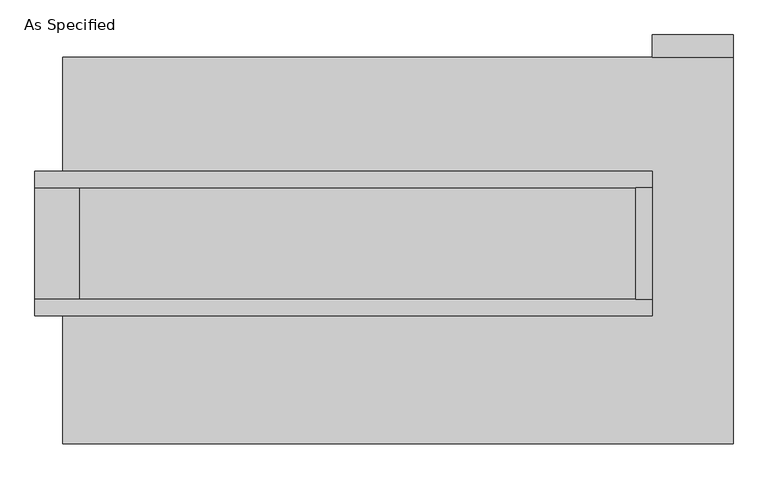
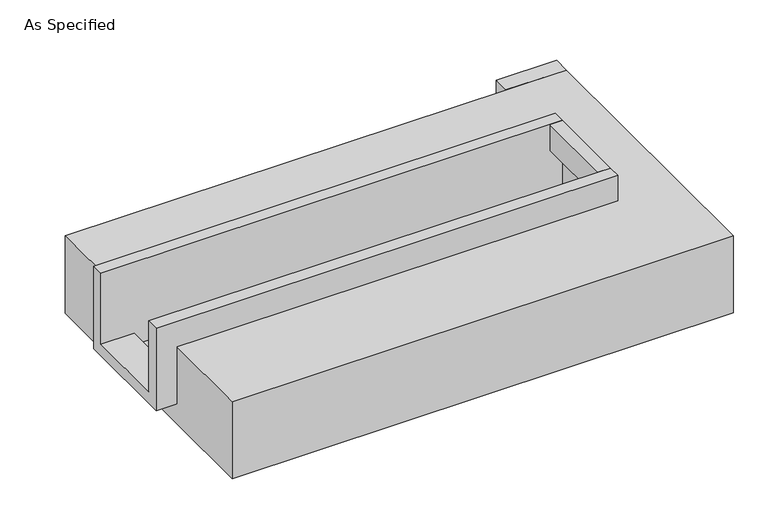
"""IFC4 building model written with IfcOpenShell, lengths in millimetres: proxy geometry, As Specified."""

from ifc_helpers import new_model, si_unit, frame, origin, place, context, project, spatial, polyline, outline, extrude, faceted_brep, source, transform, mapped, element, save


def as_specified_b3f58795(model_context):
    return source(origin(), model_context, "Body", "SolidModel", [
        extrude(outline(polyline([(1631.95, 882.65), (1263.65, 882.65), (1263.65, 984.25), (1631.95, 984.25), (1631.95, 882.65)])), frame((0.0, 0.0, -523.9742188), z_axis=(0.0, 0.0, 1.0), x_axis=(1.0, 0.0, 0.0)), (0.0, 0.0, 1.0), 498.5742187),
        extrude(outline(polyline([(1187.45, 285.75), (1263.65, 285.75), (1263.65, -222.25), (1187.45, -222.25), (1187.45, 285.75)])), frame((0.0, 0.0, -25.4), z_axis=(0.0, 0.0, 1.0), x_axis=(1.0, 0.0, 0.0)), (0.0, 0.0, 1.0), 165.1),
        faceted_brep([(1263.65, 285.75, 139.7), (1263.65, 285.75, -317.5), (1263.65, -222.25, -317.5), (1263.65, -222.25, 139.7), (1263.65, -298.45, 139.7), (1263.65, -298.45, -393.7), (1263.65, 361.95, -393.7), (1263.65, 361.95, 139.7), (-1555.75, 285.75, 139.7), (-1555.75, 361.95, 139.7), (-1555.75, 361.95, -393.7), (-1555.75, -298.45, -393.7), (-1555.75, -298.45, 139.7), (-1555.75, -222.25, 139.7), (-1555.75, -222.25, -317.5), (-1555.75, 285.75, -317.5), (-1352.55, 285.75, -393.7), (-1352.55, -222.25, -393.7), (1187.45, -222.25, -393.7), (1187.45, 285.75, -393.7), (1187.45, -222.25, -317.5), (-1352.55, -222.25, -317.5), (1187.45, 285.75, -317.5), (-1352.55, 285.75, -317.5)], [[[0, 1, 2, 3, 4, 5, 6, 7]], [[8, 9, 10, 11, 12, 13, 14, 15]], [[0, 7, 9, 8]], [[7, 6, 10, 9]], [[6, 5, 11, 10], [16, 17, 18, 19]], [[4, 3, 13, 12]], [[3, 2, 20, 18, 17, 21, 14, 13]], [[2, 1, 22, 20]], [[15, 14, 21, 23]], [[1, 0, 8, 15, 23, 16, 19, 22]], [[21, 17, 16, 23]], [[18, 20, 22, 19]], [[5, 4, 12, 11]]]),
        faceted_brep([(1631.95, 882.65, -523.9742188), (1631.95, -882.65, -523.9742188), (-1428.75, -882.65, -523.9742188), (-1428.75, 882.65, -523.9742188), (-1428.75, 882.65, -25.4), (-1428.75, 361.95, -25.4), (1263.65, 361.95, -25.4), (1263.65, -298.45, -25.4), (-1428.75, -298.45, -25.4), (-1428.75, -882.65, -25.4), (1631.95, -882.65, -25.4), (1631.95, 882.65, -25.4), (-1428.75, -298.45, -393.7), (-1428.75, 361.95, -393.7), (1263.65, 361.95, -393.7), (1263.65, -298.45, -393.7)], [[[0, 1, 2, 3]], [[4, 5, 6, 7, 8, 9, 10, 11]], [[0, 3, 4, 11]], [[4, 3, 2, 9, 8, 12, 13, 5]], [[2, 1, 10, 9]], [[14, 15, 7, 6]], [[13, 14, 6, 5]], [[15, 14, 13, 12]], [[15, 12, 8, 7]], [[1, 0, 11, 10]]]),
    ])


if __name__ == "__main__":
    model = new_model("IFC4")
    model_context = context("Model", 3, world=origin())
    ifc_project = project(units=[si_unit("LENGTHUNIT", "METRE", prefix="MILLI")], contexts=[model_context])
    site = spatial("IfcSite", under=ifc_project)
    building = spatial("IfcBuilding", under=site)
    placement = place(None, origin())
    as_specified_shape = as_specified_b3f58795(model_context)
    element("IfcBuildingElementProxy", 1, Name="As Specified", ObjectType="As Specified", at=placement, inside=building, context=model_context, shape_type="MappedRepresentation", body=[
        mapped(as_specified_shape, transform((0.0, 0.0, 0.0), x_axis=(1.0, 0.0, 0.0), y_axis=(0.0, 1.0, 0.0), z_axis=(0.0, 0.0, 1.0))),
    ])
    save(model, "model.ifc")
